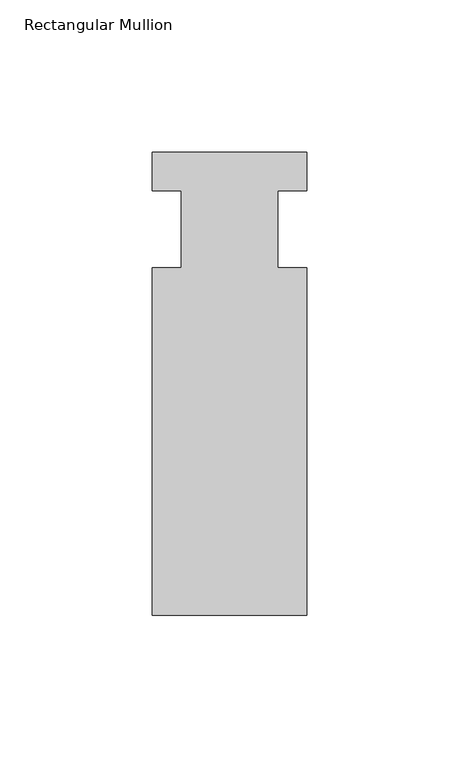
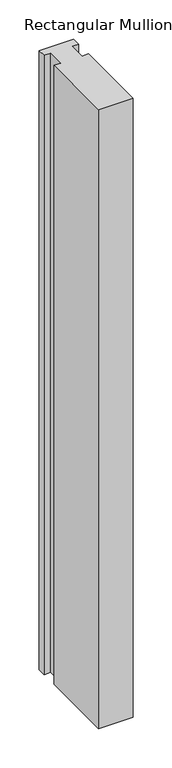
"""IFC4 building model written with IfcOpenShell, lengths in millimetres: member geometry, Rectangular Mullion."""

from ifc_helpers import new_model, si_unit, frame, origin, place, context, project, spatial, polyline, outline, extrude, source, transform, mapped, element, save


def rectangular_mullion_f8aacb88(model_context):
    return source(origin(), model_context, "Body", "SweptSolid", [
        extrude(outline(polyline([(25.4, -139.7), (-25.4, -139.7), (-25.4, -25.4), (-15.875, -25.4), (-15.875, 0.0), (-25.4, 0.0), (-25.4, 12.7), (25.4, 12.7), (25.4, 0.0), (15.875, 0.0), (15.875, -25.4), (25.4, -25.4), (25.4, -139.7)])), frame((0.0, 0.0, -965.2), z_axis=(0.0, 0.0, 1.0), x_axis=(1.0, 0.0, 0.0)), (0.0, 0.0, 1.0), 965.2),
    ])


if __name__ == "__main__":
    model = new_model("IFC4")
    model_context = context("Model", 3, world=origin())
    ifc_project = project(units=[si_unit("LENGTHUNIT", "METRE", prefix="MILLI")], contexts=[model_context])
    site = spatial("IfcSite", under=ifc_project)
    building = spatial("IfcBuilding", under=site)
    placement = place(None, origin())
    rectangular_mullion_shape = rectangular_mullion_f8aacb88(model_context)
    element("IfcMember", 1, ObjectType="Rectangular Mullion", at=placement, inside=building, context=model_context, shape_type="MappedRepresentation", body=[
        mapped(rectangular_mullion_shape, transform((0.0, 0.0, 0.0), x_axis=(1.0, 0.0, 0.0), y_axis=(0.0, 1.0, 0.0), z_axis=(0.0, 0.0, 1.0))),
    ])
    save(model, "model.ifc")
